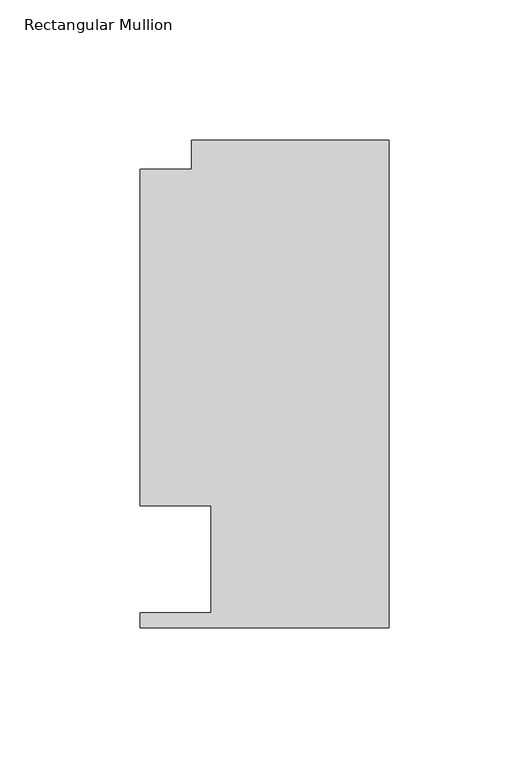
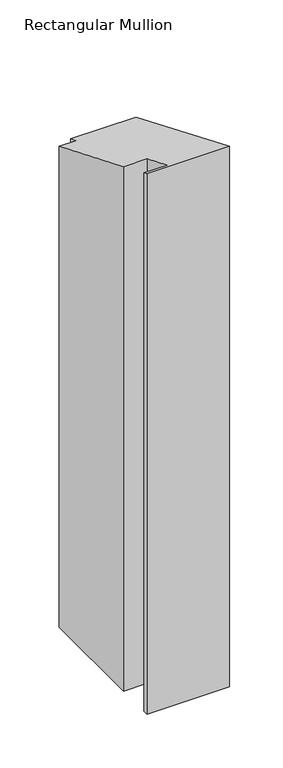
"""IFC4 building model written with IfcOpenShell, lengths in millimetres: member geometry, Rectangular Mullion."""

from ifc_helpers import new_model, si_unit, origin, place, context, project, spatial, faceted_brep, source, transform, mapped, element, save


def rectangular_mullion_8589f266(model_context):
    return source(origin(), model_context, "Body", "Brep", [
        faceted_brep([(-88.9131928, 151.892, -609.587333), (-70.395709, 151.892, -609.587333), (-70.395709, 162.3059961, -609.587333), (0.0, 162.3059961, -609.587333), (0.0, -11.684, -609.587333), (-88.9131928, -11.684, -609.587333), (-88.9131928, -6.35, -609.587333), (-63.5131928, -6.35, -609.587333), (-63.5131928, 31.75, -609.587333), (-88.9131928, 31.75, -609.587333), (-88.9131928, 31.75, -13.1512806), (-88.9131928, 151.892, -62.9157264), (-63.5131928, 31.75, -13.1512806), (-63.5131928, -6.35, 2.6302561), (-88.9131928, -6.35, 2.6302561), (-88.9131928, -11.684, 4.8396713), (0.0, -11.684, 4.8396713), (0.0, 162.3059961, -67.2293448), (-70.395709, 162.3059961, -67.2293448), (-70.395709, 151.892, -62.9157264)], [[[0, 1, 2, 3, 4, 5, 6, 7, 8, 9]], [[10, 11, 0, 9]], [[12, 10, 9, 8]], [[13, 12, 8, 7]], [[14, 13, 7, 6]], [[15, 14, 6, 5]], [[16, 15, 5, 4]], [[17, 16, 4, 3]], [[18, 17, 3, 2]], [[19, 18, 2, 1]], [[11, 19, 1, 0]], [[11, 10, 12, 13, 14, 15, 16, 17, 18, 19]]]),
    ])


if __name__ == "__main__":
    model = new_model("IFC4")
    model_context = context("Model", 3, world=origin())
    ifc_project = project(units=[si_unit("LENGTHUNIT", "METRE", prefix="MILLI")], contexts=[model_context])
    site = spatial("IfcSite", under=ifc_project)
    building = spatial("IfcBuilding", under=site)
    placement = place(None, origin())
    rectangular_mullion_shape = rectangular_mullion_8589f266(model_context)
    element("IfcMember", 1, ObjectType="Rectangular Mullion", at=placement, inside=building, context=model_context, shape_type="MappedRepresentation", body=[
        mapped(rectangular_mullion_shape, transform((0.0, 0.0, 0.0), x_axis=(1.0, 0.0, 0.0), y_axis=(0.0, 1.0, 0.0), z_axis=(0.0, 0.0, 1.0))),
    ])
    save(model, "model.ifc")
